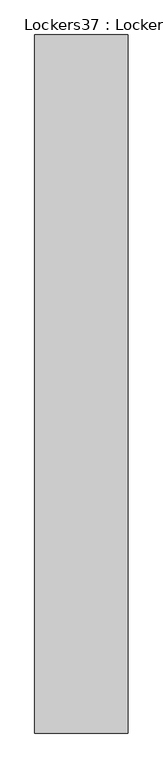
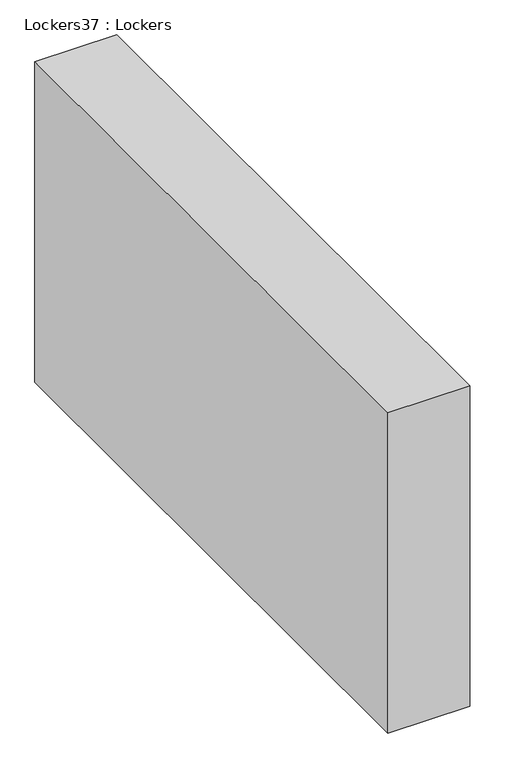
"""IFC4 building model written with IfcOpenShell, lengths in millimetres: furniture geometry, Lockers37 : Lockers."""

from ifc_helpers import new_model, si_unit, origin, origin_with_axes, place, context, project, spatial, polyline, outline, extrude, source, transform, mapped, element, save


def lockers37_lockers_e32f8ea0(model_context):
    return source(origin(), model_context, "Body", "SweptSolid", [
        extrude(outline(polyline([(-526158.8902128, -59314.0413317), (-526158.8902128, -62616.0413317), (-526600.2152128, -62616.0413317), (-526600.2152128, -59314.0413317), (-526158.8902128, -59314.0413317)])), origin_with_axes(), (0.0, 0.0, 1.0), 1828.8),
    ])


if __name__ == "__main__":
    model = new_model("IFC4")
    model_context = context("Model", 3, world=origin())
    ifc_project = project(units=[si_unit("LENGTHUNIT", "METRE", prefix="MILLI")], contexts=[model_context])
    site = spatial("IfcSite", under=ifc_project)
    building = spatial("IfcBuilding", under=site)
    placement = place(None, origin())
    lockers37_lockers_shape = lockers37_lockers_e32f8ea0(model_context)
    element("IfcFurniture", 1, ObjectType="Lockers37 : Lockers", at=placement, inside=building, context=model_context, shape_type="MappedRepresentation", body=[
        mapped(lockers37_lockers_shape, transform((0.0, 0.0, 0.0), x_axis=(1.0, 0.0, 0.0), y_axis=(0.0, 1.0, 0.0), z_axis=(0.0, 0.0, 1.0))),
    ])
    save(model, "model.ifc")
